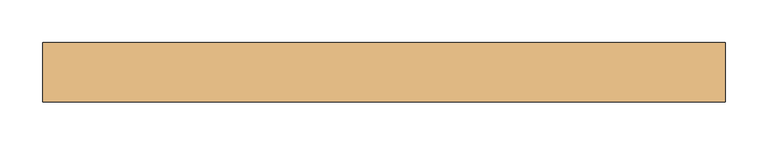
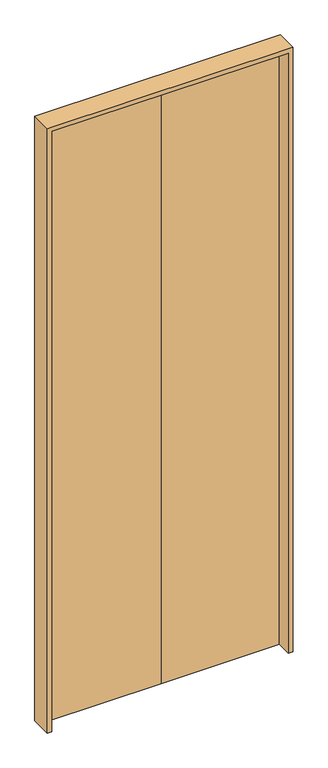
"""IFC4 building model written with IfcOpenShell, lengths in millimetres: door geometry."""

from ifc_helpers import new_model, si_unit, frame, origin, origin_with_axes, place, context, project, spatial, polyline, outline, extrude, source, transform, mapped, element, save


def door_dfc63d2b(model_context):
    return source(origin(), model_context, "Body", "SweptSolid", [
        extrude(outline(polyline([(0.0, 15.000314), (-385.0, 15.000314), (-385.0, 35.0), (0.0, 35.0), (0.0, 15.000314)])), origin_with_axes(), (0.0, 0.0, 1.0), 2065.0),
        extrude(outline(polyline([(385.0, 15.000314), (0.0, 15.000314), (0.0, 35.0), (385.0, 35.0), (385.0, 15.000314)])), origin_with_axes(), (0.0, 0.0, 1.0), 2065.0),
        extrude(outline(polyline([(0.0, 400.0), (2080.0, 400.0), (2080.0, -400.0), (0.0, -400.0), (0.0, -385.0), (2065.0, -385.0), (2065.0, 385.0), (0.0, 385.0), (0.0, 400.0)])), frame((0.0, -35.0, 0.0), z_axis=(0.0, 1.0, 0.0), x_axis=(0.0, 0.0, 1.0)), (0.0, 0.0, 1.0), 70.0),
    ])


if __name__ == "__main__":
    model = new_model("IFC4")
    model_context = context("Model", 3, world=origin())
    ifc_project = project(units=[si_unit("LENGTHUNIT", "METRE", prefix="MILLI")], contexts=[model_context])
    site = spatial("IfcSite", under=ifc_project)
    building = spatial("IfcBuilding", under=site)
    placement = place(None, origin())
    door_shape = door_dfc63d2b(model_context)
    element("IfcDoor", 1, at=placement, inside=building, context=model_context, shape_type="MappedRepresentation", body=[
        mapped(door_shape, transform((0.0, 0.0, 0.0), x_axis=(1.0, 0.0, 0.0), y_axis=(0.0, 1.0, 0.0), z_axis=(0.0, 0.0, 1.0))),
    ])
    save(model, "model.ifc")
